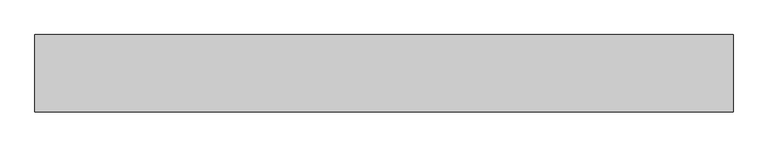
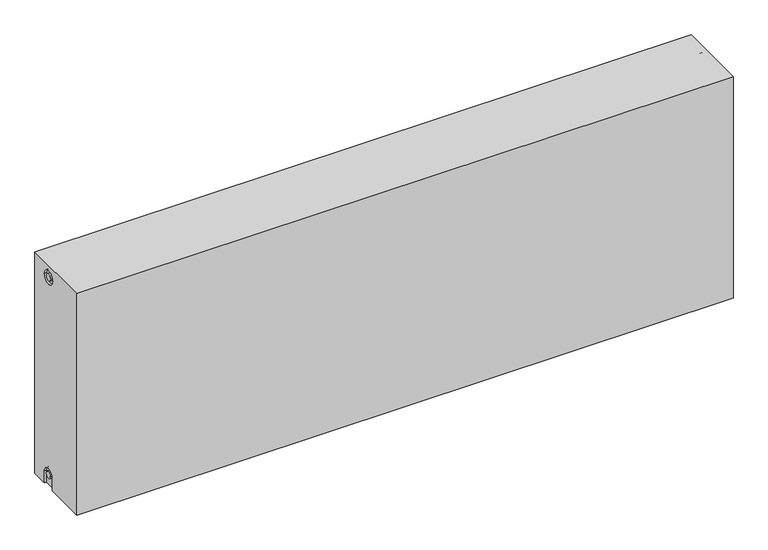
"""IFC4 building model written with IfcOpenShell, lengths in millimetres: proxy geometry."""

from ifc_helpers import new_model, si_unit, frame, origin, place, context, project, spatial, polyline, circle_curve, source, transform, mapped, element, save
from ifc_brep_helpers import plane_surface, cylinder_surface, revolved_surface, advanced_brep


def mechanical_equipment_7854c559(model_context):
    return source(origin(), model_context, "Body", "AdvancedBrep", [
        advanced_brep(
        [(1400.0, 77.5, 500.0), (1400.0, 77.5, 0.0), (0.0, 77.5, 0.0), (0.0, 77.5, 500.0), (1400.0, -77.5, 500.0), (0.0, -77.5, 500.0), (0.0, -77.5, 0.0), (1400.0, -77.5, 0.0), (1400.0, 12.5, 0.0), (1400.0, 12.5, 27.0), (1400.0, 42.5, 27.0), (1400.0, 42.5, 0.0), (1400.0, 42.2242393, 473.0), (1400.0, 12.2242393, 473.0), (1400.0, 34.7242393, 473.0), (1400.0, 19.7242393, 473.0), (1400.0, 20.0, 27.0), (1400.0, 35.0, 27.0), (1395.0, 42.5, 0.0), (1395.0, 12.5, 0.0), (0.0, 12.5, 0.0), (5.0, 12.5, 0.0), (5.0, 42.5, 0.0), (0.0, 42.5, 0.0), (0.0, 42.5, 27.0), (0.0, 12.5, 27.0), (0.0, 12.2242393, 473.0), (0.0, 42.2242393, 473.0), (0.0, 19.7242393, 473.0), (0.0, 34.7242393, 473.0), (0.0, 35.0682726, 27.0), (0.0, 20.0682726, 27.0), (5.0, 12.2242393, 473.0), (5.0, 42.2242393, 473.0), (5.0, 19.7242393, 473.0), (5.0, 34.7242393, 473.0), (5.0, 12.5, 27.0), (5.0, 42.5, 27.0), (5.0, 20.0682726, 27.0), (5.0, 35.0682726, 27.0), (1395.0, 12.2242393, 473.0), (1395.0, 42.2242393, 473.0), (1395.0, 19.7242393, 473.0), (1395.0, 34.7242393, 473.0), (1395.0, 42.5, 27.0), (1395.0, 12.5, 27.0), (1395.0, 20.0, 27.0), (1395.0, 35.0, 27.0)],
        [
            (0, 1),
            (1, 2),
            (2, 3),
            (3, 0),
            (4, 5),
            (5, 6),
            (6, 7),
            (7, 4),
            (0, 4),
            (7, 8),
            (8, 9),
            (9, 10, circle_curve(frame((1400.0, 27.5, 27.0), z_axis=(-1.0, 0.0, 0.0), x_axis=(0.0, 1.0, 0.0)), 15.0)),
            (10, 11),
            (11, 1),
            (12, 13, circle_curve(frame((1400.0, 27.2242393, 473.0), z_axis=(-1.0, 0.0, 0.0), x_axis=(0.0, 1.0, 0.0)), 15.0)),
            (13, 12, circle_curve(frame((1400.0, 27.2242393, 473.0), z_axis=(-1.0, 0.0, 0.0), x_axis=(0.0, 1.0, 0.0)), 15.0)),
            (14, 15, circle_curve(frame((1400.0, 27.2242393, 473.0), z_axis=(1.0, 0.0, 0.0), x_axis=(0.0, 1.0, 0.0)), 7.5)),
            (15, 14, circle_curve(frame((1400.0, 27.2242393, 473.0), z_axis=(1.0, 0.0, 0.0), x_axis=(0.0, 1.0, 0.0)), 7.5)),
            (16, 17, circle_curve(frame((1400.0, 27.5, 27.0), z_axis=(1.0, 0.0, 0.0), x_axis=(0.0, 1.0, 0.0)), 7.5)),
            (17, 16, circle_curve(frame((1400.0, 27.5, 27.0), z_axis=(1.0, 0.0, 0.0), x_axis=(0.0, 1.0, 0.0)), 7.5)),
            (11, 18),
            (18, 19),
            (19, 8),
            (6, 20),
            (20, 21),
            (21, 22),
            (22, 23),
            (23, 2),
            (23, 24),
            (24, 25, circle_curve(frame((0.0, 27.5, 27.0), z_axis=(1.0, 0.0, 0.0), x_axis=(0.0, 1.0, 0.0)), 15.0)),
            (25, 20),
            (5, 3),
            (26, 27, circle_curve(frame((0.0, 27.2242393, 473.0), z_axis=(1.0, 0.0, 0.0), x_axis=(0.0, 1.0, 0.0)), 15.0)),
            (27, 26, circle_curve(frame((0.0, 27.2242393, 473.0), z_axis=(1.0, 0.0, 0.0), x_axis=(0.0, 1.0, 0.0)), 15.0)),
            (28, 29, circle_curve(frame((0.0, 27.2242393, 473.0), z_axis=(-1.0, 0.0, 0.0), x_axis=(0.0, 1.0, 0.0)), 7.5)),
            (29, 28, circle_curve(frame((0.0, 27.2242393, 473.0), z_axis=(-1.0, 0.0, 0.0), x_axis=(0.0, 1.0, 0.0)), 7.5)),
            (30, 31, circle_curve(frame((0.0, 27.5682726, 27.0), z_axis=(-1.0, 0.0, 0.0), x_axis=(0.0, 1.0, 0.0)), 7.5)),
            (31, 30, circle_curve(frame((0.0, 27.5682726, 27.0), z_axis=(-1.0, 0.0, 0.0), x_axis=(0.0, 1.0, 0.0)), 7.5)),
            (32, 33, circle_curve(frame((5.0, 27.2242393, 473.0), z_axis=(-1.0, 0.0, 0.0), x_axis=(0.0, 1.0, 0.0)), 15.0)),
            (33, 32, circle_curve(frame((5.0, 27.2242393, 473.0), z_axis=(-1.0, 0.0, 0.0), x_axis=(0.0, 1.0, 0.0)), 15.0)),
            (34, 35, circle_curve(frame((5.0, 27.2242393, 473.0), z_axis=(1.0, 0.0, 0.0), x_axis=(0.0, 1.0, 0.0)), 7.5)),
            (35, 34, circle_curve(frame((5.0, 27.2242393, 473.0), z_axis=(1.0, 0.0, 0.0), x_axis=(0.0, 1.0, 0.0)), 7.5)),
            (33, 27),
            (26, 32),
            (35, 29),
            (28, 34),
            (21, 36),
            (36, 37, circle_curve(frame((5.0, 27.5, 27.0), z_axis=(-1.0, 0.0, 0.0), x_axis=(0.0, 1.0, 0.0)), 15.0)),
            (37, 22),
            (38, 39, circle_curve(frame((5.0, 27.5682726, 27.0), z_axis=(1.0, 0.0, 0.0), x_axis=(0.0, 1.0, 0.0)), 7.5)),
            (39, 38, circle_curve(frame((5.0, 27.5682726, 27.0), z_axis=(1.0, 0.0, 0.0), x_axis=(0.0, 1.0, 0.0)), 7.5)),
            (38, 31),
            (30, 39),
            (37, 24),
            (36, 25),
            (40, 41, circle_curve(frame((1395.0, 27.2242393, 473.0), z_axis=(1.0, 0.0, 0.0), x_axis=(0.0, 1.0, 0.0)), 15.0)),
            (41, 40, circle_curve(frame((1395.0, 27.2242393, 473.0), z_axis=(1.0, 0.0, 0.0), x_axis=(0.0, 1.0, 0.0)), 15.0)),
            (42, 43, circle_curve(frame((1395.0, 27.2242393, 473.0), z_axis=(-1.0, 0.0, 0.0), x_axis=(0.0, 1.0, 0.0)), 7.5)),
            (43, 42, circle_curve(frame((1395.0, 27.2242393, 473.0), z_axis=(-1.0, 0.0, 0.0), x_axis=(0.0, 1.0, 0.0)), 7.5)),
            (40, 13),
            (12, 41),
            (42, 15),
            (14, 43),
            (18, 44),
            (44, 45, circle_curve(frame((1395.0, 27.5, 27.0), z_axis=(1.0, 0.0, 0.0), x_axis=(0.0, 1.0, 0.0)), 15.0)),
            (45, 19),
            (46, 47, circle_curve(frame((1395.0, 27.5, 27.0), z_axis=(-1.0, 0.0, 0.0), x_axis=(0.0, 1.0, 0.0)), 7.5)),
            (47, 46, circle_curve(frame((1395.0, 27.5, 27.0), z_axis=(-1.0, 0.0, 0.0), x_axis=(0.0, 1.0, 0.0)), 7.5)),
            (47, 17),
            (16, 46),
            (10, 44),
            (9, 45),
        ],
        [
            plane_surface(frame((1400.0, 77.5, 500.0), z_axis=(0.0, 1.0, 0.0), x_axis=(0.0, 0.0, -1.0))),
            plane_surface(frame((1400.0, -77.5, 500.0), z_axis=(0.0, -1.0, 0.0), x_axis=(0.0, 0.0, 1.0))),
            plane_surface(frame((1400.0, 77.5, 500.0), z_axis=(1.0, 0.0, 0.0), x_axis=(0.0, -1.0, 0.0))),
            plane_surface(frame((1400.0, 77.5, 0.0), z_axis=(0.0, 0.0, -1.0), x_axis=(0.0, -1.0, 0.0))),
            plane_surface(frame((0.0, 77.5, 0.0), z_axis=(-1.0, 0.0, 0.0), x_axis=(0.0, -1.0, 0.0))),
            plane_surface(frame((0.0, 77.5, 500.0), z_axis=(0.0, 0.0, 1.0), x_axis=(0.0, -1.0, 0.0))),
            plane_surface(frame((5.0, 42.2242393, 473.0), z_axis=(-1.0, 0.0, 0.0), x_axis=(0.0, 0.0, 1.0))),
            revolved_surface(polyline([(5.0, 42.2242393, 473.0), (0.0, 42.2242393, 473.0)]), (0.0, 27.2242393, 473.0), (1.0, 0.0, 0.0)),
            cylinder_surface(frame((0.0, 27.2242393, 473.0), z_axis=(-1.0, 0.0, 0.0), x_axis=(0.0, 1.0, 0.0)), 7.5),
            plane_surface(frame((5.0, 35.0682726, 27.0), z_axis=(-1.0, 0.0, 0.0), x_axis=(0.0, 0.0, -1.0))),
            cylinder_surface(frame((0.0, 27.5682726, 27.0), z_axis=(-1.0, 0.0, 0.0), x_axis=(0.0, 1.0, 0.0)), 7.5),
            plane_surface(frame((5.0, 42.5, 0.0), z_axis=(0.0, -1.0, 0.0), x_axis=(-1.0, 0.0, 0.0))),
            revolved_surface(polyline([(5.0, 42.5, 27.0), (0.0, 42.5, 27.0)]), (0.0, 27.5, 27.0), (1.0, 0.0, 0.0)),
            plane_surface(frame((5.0, 12.5, 27.0), z_axis=(0.0, 1.0, 0.0), x_axis=(-1.0, 0.0, 0.0))),
            plane_surface(frame((1395.0, 42.2242393, 473.0), z_axis=(1.0, 0.0, 0.0), x_axis=(0.0, 0.0, -1.0))),
            revolved_surface(polyline([(1400.0, 42.2242393, 473.0), (1395.0, 42.2242393, 473.0)]), (1395.0, 27.2242393, 473.0), (1.0, 0.0, 0.0)),
            cylinder_surface(frame((1395.0, 27.2242393, 473.0), z_axis=(-1.0, 0.0, 0.0), x_axis=(0.0, 1.0, 0.0)), 7.5),
            plane_surface(frame((1395.0, 35.0, 27.0), z_axis=(1.0, 0.0, 0.0), x_axis=(0.0, 0.0, 1.0))),
            cylinder_surface(frame((1395.0, 27.5, 27.0), z_axis=(-1.0, 0.0, 0.0), x_axis=(0.0, 1.0, 0.0)), 7.5),
            plane_surface(frame((1400.0, 42.5, 0.0), z_axis=(0.0, -1.0, 0.0), x_axis=(-1.0, 0.0, 0.0))),
            revolved_surface(polyline([(1400.0, 42.5, 27.0), (1395.0, 42.5, 27.0)]), (1395.0, 27.5, 27.0), (1.0, 0.0, 0.0)),
            plane_surface(frame((1400.0, 12.5, 27.0), z_axis=(0.0, 1.0, 0.0), x_axis=(-1.0, 0.0, 0.0))),
        ],
        [
            (0, [[1, 2, 3, 4]]),
            (1, [[5, 6, 7, 8]]),
            (2, [[-1, 9, -8, 10, 11, 12, 13, 14], [15, 16]]),
            (2, [[17, 18]]),
            (2, [[19, 20]]),
            (3, [[-2, -14, 21, 22, 23, -10, -7, 24, 25, 26, 27, 28]]),
            (4, [[-3, -28, 29, 30, 31, -24, -6, 32], [33, 34]]),
            (4, [[35, 36]]),
            (4, [[37, 38]]),
            (5, [[-4, -32, -5, -9]]),
            (6, [[39, 40], [41, 42]]),
            (7, [[-40, 43, -33, 44]]),
            (7, [[-39, -44, -34, -43]]),
            (8, [[-42, 45, -35, 46]]),
            (8, [[-41, -46, -36, -45]]),
            (9, [[47, 48, 49, -26], [50, 51]]),
            (10, [[-50, 52, -37, 53]]),
            (10, [[-51, -53, -38, -52]]),
            (11, [[-49, 54, -29, -27]]),
            (12, [[-48, 55, -30, -54]]),
            (13, [[-47, -25, -31, -55]]),
            (14, [[56, 57], [58, 59]]),
            (15, [[-56, 60, -15, 61]]),
            (15, [[-57, -61, -16, -60]]),
            (16, [[-58, 62, -17, 63]]),
            (16, [[-59, -63, -18, -62]]),
            (17, [[64, 65, 66, -22], [67, 68]]),
            (18, [[-68, 69, -19, 70]]),
            (18, [[-67, -70, -20, -69]]),
            (19, [[-64, -21, -13, 71]]),
            (20, [[-65, -71, -12, 72]]),
            (21, [[-66, -72, -11, -23]]),
        ],
    ),
    ])


if __name__ == "__main__":
    model = new_model("IFC4")
    model_context = context("Model", 3, world=origin())
    ifc_project = project(units=[si_unit("LENGTHUNIT", "METRE", prefix="MILLI")], contexts=[model_context])
    site = spatial("IfcSite", under=ifc_project)
    building = spatial("IfcBuilding", under=site)
    placement = place(None, origin())
    mechanical_equipment_shape = mechanical_equipment_7854c559(model_context)
    element("IfcBuildingElementProxy", 1, Name="Mechanical Equipment", at=placement, inside=building, context=model_context, shape_type="MappedRepresentation", body=[
        mapped(mechanical_equipment_shape, transform((0.0, 0.0, 0.0), x_axis=(1.0, 0.0, 0.0), y_axis=(0.0, 1.0, 0.0), z_axis=(0.0, 0.0, 1.0))),
    ])
    save(model, "model.ifc")
